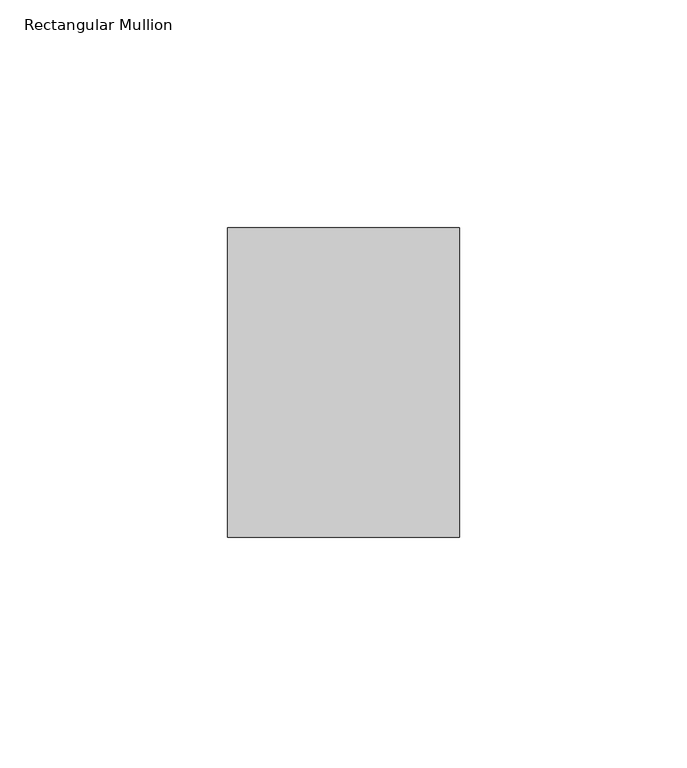
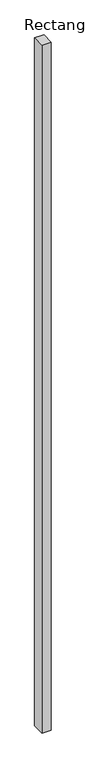
"""IFC4 building model written with IfcOpenShell, lengths in millimetres: member geometry, Rectangular Mullion."""

from ifc_helpers import new_model, si_unit, frame, origin, place, context, project, spatial, polyline, outline, extrude, source, transform, mapped, element, save


def rectangular_mullion_73c88d53(model_context):
    return source(origin(), model_context, "Body", "SweptSolid", [
        extrude(outline(polyline([(0.0, 68.0), (0.0, 0.0), (-51.0, 0.0), (-51.0, 68.0), (0.0, 68.0)])), frame((0.0, 0.0, -4000.0), z_axis=(0.0, 0.0, 1.0), x_axis=(1.0, 0.0, 0.0)), (0.0, 0.0, 1.0), 4000.0),
    ])


if __name__ == "__main__":
    model = new_model("IFC4")
    model_context = context("Model", 3, world=origin())
    ifc_project = project(units=[si_unit("LENGTHUNIT", "METRE", prefix="MILLI")], contexts=[model_context])
    site = spatial("IfcSite", under=ifc_project)
    building = spatial("IfcBuilding", under=site)
    placement = place(None, origin())
    rectangular_mullion_shape = rectangular_mullion_73c88d53(model_context)
    element("IfcMember", 1, ObjectType="Rectangular Mullion", at=placement, inside=building, context=model_context, shape_type="MappedRepresentation", body=[
        mapped(rectangular_mullion_shape, transform((0.0, 0.0, 0.0), x_axis=(1.0, 0.0, 0.0), y_axis=(0.0, 1.0, 0.0), z_axis=(0.0, 0.0, 1.0))),
    ])
    save(model, "model.ifc")
